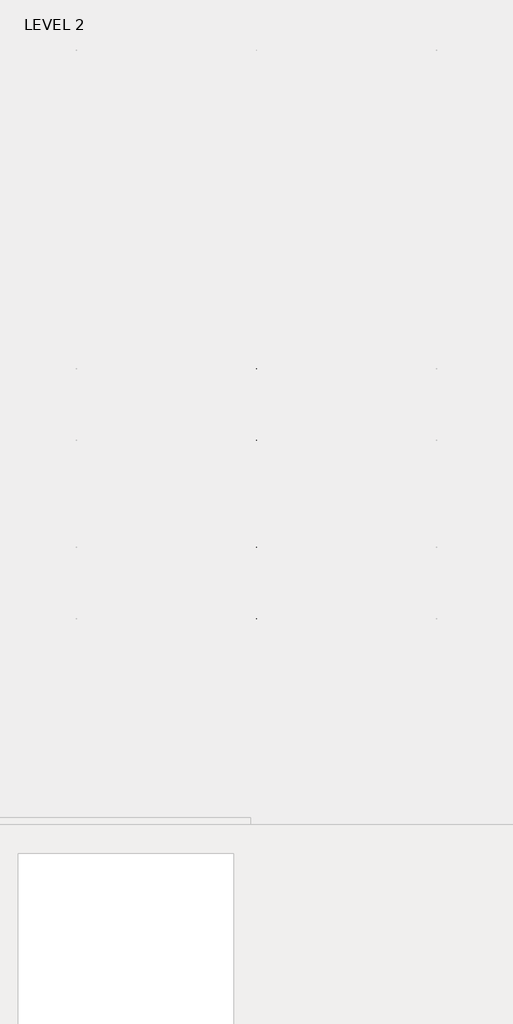
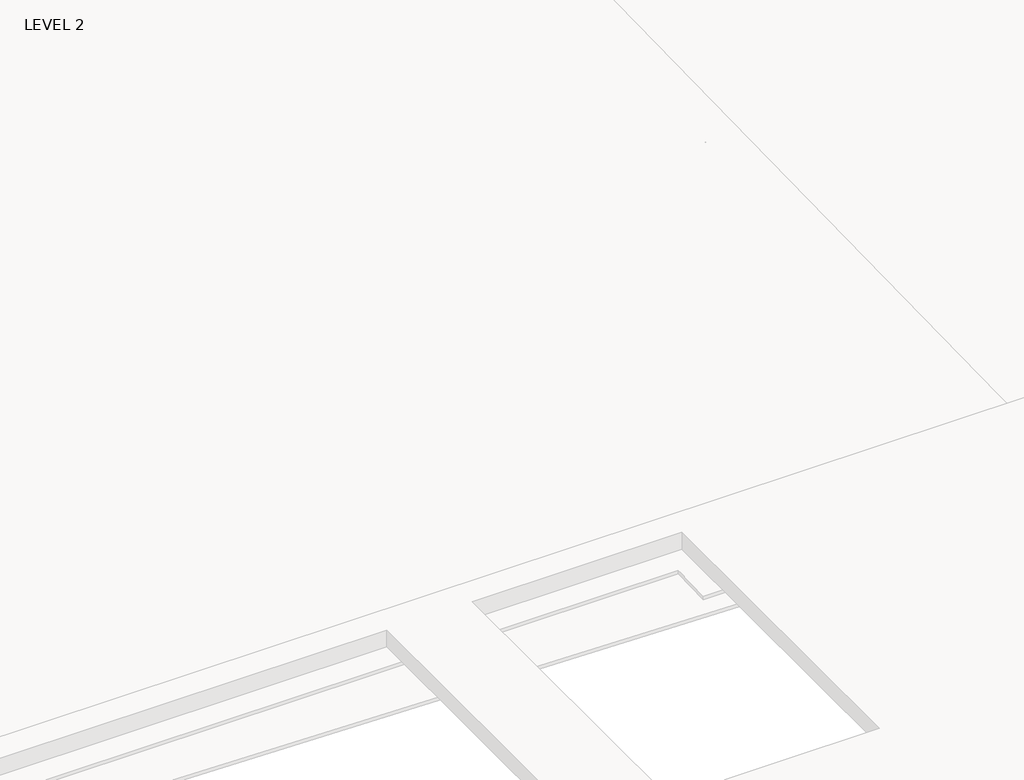
# One storey, part 56 of 67: 1 beam.
"""IFC4 building model written with IfcOpenShell, lengths in millimetres."""

from ifc_helpers import new_model, si_unit, frame, origin, place, context, project, spatial, polyline, outline, extrude, faceted_brep, element, save

model = new_model("IFC4")

# Units and contexts
model_context = context("Model", 3, world=origin())
ifc_project = project(units=[si_unit("LENGTHUNIT", "METRE", prefix="MILLI")], contexts=[model_context])

# Site, building, storey
site = spatial("IfcSite", under=ifc_project)
building = spatial("IfcBuilding", under=site)
storey = spatial("IfcBuildingStorey", under=building, Name="LEVEL 2", Elevation=6908.8)

# Beam
placement = place(None, origin())
element("IfcBeam", 1, ObjectType="K-Series Bar Joist-Angle Web : 12K3", at=placement, inside=storey, context=model_context, shape_type="SolidModel", body=[
    extrude(outline(polyline([(0.0, -9.525), (0.0, 0.0), (573.7533355, 0.0), (573.7533355, -9.525), (0.0, -9.525)])), frame((57248.2658942, -9604.1227945, 6274.1671734), z_axis=(0.0, -0.48308851527800273, 0.8755715198694479), x_axis=(0.0, -0.8755715198694479, -0.48308851527800273)), (0.0, 0.0, 1.0), 9.525),
    extrude(outline(polyline([(0.0, -9.525), (0.0, 0.0), (573.7533355, 0.0), (573.7533355, -9.525), (0.0, -9.525)])), frame((57238.7408942, -14433.5123055, 6174.0312759), z_axis=(0.0, 0.44637950228858414, 0.894843751688861), x_axis=(0.0, 0.894843751688861, -0.44637950228858414)), (0.0, 0.0, 1.0), 9.525),
    extrude(outline(polyline([(4.7625, 4.7625), (4.7625, -4.7625), (-4.7625, -4.7625), (-4.7625, 4.7625), (4.7625, 4.7625)])), frame((57243.5033942, -10108.7855836, 6001.1634358), z_axis=(0.0, 0.5271021201119526, 0.8498019504410923), x_axis=(-1.0, 0.0, 0.0)), (0.0, 0.0, 1.0), 317.9950191),
    extrude(outline(polyline([(4.7625, 4.7625), (4.7625, -4.7625001), (-4.7625, -4.7625001), (-4.7625, 4.7625), (4.7625, 4.7625)])), frame((57243.5033942, -13917.9668359, 5922.1812409), z_axis=(0.0, -0.5618747002661082, 0.8272223529383567), x_axis=(-1.0, 0.0, 0.0)), (0.0, 0.0, 1.0), 317.9950191),
    extrude(outline(polyline([(0.0, 0.0), (31.75, 0.0), (31.75, -6.35), (6.35, -6.35), (6.35, -31.75), (0.0, -31.75), (0.0, 0.0)])), frame((57248.2658942, -14019.4133656, 5913.7264136), z_axis=(0.0, 0.9997851055909517, 0.020730234887470715), x_axis=(1.0, 0.0, 0.0)), (0.0, 0.0, 1.0), 4013.2),
    extrude(outline(polyline([(-9.525, 0.0), (-9.525, -31.75), (-15.875, -31.75), (-15.875, -6.35), (-41.275, -6.35), (-41.275, 0.0), (-9.525, 0.0)])), frame((57248.2658942, -14019.4133656, 5913.7264136), z_axis=(0.0, 0.9997851055909517, 0.020730234887470715), x_axis=(1.0, 0.0, 0.0)), (0.0, 0.0, 1.0), 4013.2),
    extrude(outline(polyline([(-31.75, 0.0), (0.0, 0.0), (0.0, -6.35), (-25.4, -6.35), (-25.4, -31.75), (-31.75, -31.75), (-31.75, 0.0)])), frame((57280.0158942, -14532.3064049, 6144.4436003), z_axis=(0.0, 0.9997851055909517, 0.020730234887470715), x_axis=(1.0, 0.0, 0.0)), (0.0, 0.0, 1.0), 101.6),
    extrude(outline(polyline([(-41.275, 0.0), (-41.275, -31.75), (-47.625, -31.75), (-47.625, -6.35), (-73.025, -6.35), (-73.025, 0.0), (-41.275, 0.0)])), frame((57280.0158942, -14532.3064049, 6144.4436003), z_axis=(0.0, 0.9997851055909517, 0.020730234887470715), x_axis=(1.0, 0.0, 0.0)), (0.0, 0.0, 1.0), 101.6),
    extrude(outline(polyline([(0.0, 0.0), (31.75, 0.0), (31.75, -6.35), (6.35, -6.35), (6.35, -31.75), (0.0, -31.75), (0.0, 0.0)])), frame((57238.7408942, -9605.7653186, 6246.5939057), z_axis=(0.0, 0.9997851055909517, 0.020730234887470715), x_axis=(0.0, -0.020730234887470715, 0.9997851055909517)), (0.0, 0.0, 1.0), 101.6),
    extrude(outline(polyline([(0.0, 41.275), (6.35, 41.275), (6.35, 15.875), (31.75, 15.875), (31.75, 9.525), (0.0, 9.525), (0.0, 41.275)])), frame((57238.7408942, -9605.7653186, 6246.5939057), z_axis=(0.0, 0.9997851055909517, 0.020730234887470715), x_axis=(0.0, -0.020730234887470715, 0.9997851055909517)), (0.0, 0.0, 1.0), 101.6),
    extrude(outline(polyline([(0.0, 0.0), (31.75, 0.0), (31.75, -6.35), (6.35, -6.35), (6.35, -31.75), (0.0, -31.75), (0.0, 0.0)])), frame((57248.2658942, -14533.6227748, 6207.9299545), z_axis=(0.0, 0.9997851055909517, 0.020730234887470715), x_axis=(0.0, 0.020730234887470715, -0.9997851055909517)), (0.0, 0.0, 1.0), 5029.2),
    extrude(outline(polyline([(0.0, 9.525), (0.0, 41.275), (6.35, 41.275), (6.35, 15.875), (31.75, 15.875), (31.75, 9.525), (0.0, 9.525)])), frame((57248.2658942, -14533.6227748, 6207.9299545), z_axis=(0.0, 0.9997851055909517, 0.020730234887470715), x_axis=(0.0, 0.020730234887470715, -0.9997851055909517)), (0.0, 0.0, 1.0), 5029.2),
    faceted_brep([(57243.5033942, -10109.114676, 6017.0350244), (57243.5033942, -10108.7197651, 5997.9891181), (57238.7408942, -10108.7197651, 5997.9891181), (57238.7408942, -10109.114676, 6017.0350244), (57243.5033942, -10109.9510625, 6017.0176822), (57243.5033942, -10276.1904217, 6293.0308149), (57243.5033942, -10294.3999415, 6292.6532461), (57243.5033942, -10294.0050305, 6273.6073399), (57243.5033942, -10286.8200086, 6273.7563191), (57243.5033942, -10120.5806494, 5997.7431863), (57238.7408942, -10120.5806494, 5997.7431863), (57238.7408942, -10141.3605693, 6032.2448279), (57238.7408942, -10137.2808829, 6034.7019736), (57238.7408942, -10273.294904, 6260.5309003), (57238.7408942, -10277.3745905, 6258.0737547), (57238.7408942, -10286.8200086, 6273.7563191), (57238.7408942, -10294.0050305, 6273.6073399), (57238.7408942, -10294.3999415, 6292.6532461), (57238.7408942, -10276.1904217, 6293.0308149), (57238.7408942, -10109.9510625, 6017.0176822), (57226.0408942, -10277.3745905, 6258.0737547), (57226.0408942, -10141.3605693, 6032.2448279), (57226.0408942, -10137.2808829, 6034.7019736), (57226.0408942, -10273.294904, 6260.5309003)], [[[0, 1, 2, 3]], [[1, 0, 4, 5, 6, 7, 8, 9]], [[2, 1, 9, 10]], [[3, 2, 10, 11, 12, 13, 14, 15, 16, 17, 18, 19]], [[0, 3, 19, 4]], [[9, 8, 15, 14, 20, 21, 11, 10]], [[5, 4, 19, 18]], [[7, 6, 17, 16]], [[8, 7, 16, 15]], [[6, 5, 18, 17]], [[21, 22, 12, 11]], [[20, 14, 13, 23]], [[22, 21, 20, 23]], [[12, 22, 23, 13]]]),
    extrude(outline(polyline([(-10455.0089698, 5990.8089186), (-10455.4038808, 6009.8548248), (-10454.5674943, 6009.872167), (-10299.9121904, 6292.5389513), (-10281.7026706, 6292.9165201), (-10281.3077596, 6273.8706138), (-10288.4927815, 6273.7216346), (-10443.1480854, 5991.0548503), (-10455.0089698, 5990.8089186)])), frame((57243.5033942, 0.0, 0.0), z_axis=(1.0, 0.0, 0.0), x_axis=(0.0, 1.0, 0.0)), (0.0, 0.0, 1.0), 4.7625),
    extrude(outline(polyline([(-4.7625, 4.7625), (-4.7625, 0.0), (-17.4625, 0.0), (-17.4625, 4.7625), (-4.7625, 4.7625)])), frame((57243.5033942, -10423.8161725, 6026.3881984), z_axis=(0.0, 0.4799841217599757, 0.8772771756168657), x_axis=(-1.0, 0.0, 0.0)), (0.0, 0.0, 1.0), 263.6257159),
    faceted_brep([(57243.5033942, -13572.0067236, 5945.233029), (57243.5033942, -13571.6118126, 5926.1871227), (57238.7408942, -13571.6118126, 5926.1871227), (57238.7408942, -13572.0067236, 5945.233029), (57243.5033942, -13572.8431101, 5945.2156868), (57243.5033942, -13739.0824692, 6221.2288195), (57243.5033942, -13757.291989, 6220.8512507), (57243.5033942, -13756.897078, 6201.8053445), (57243.5033942, -13749.7120561, 6201.9543237), (57243.5033942, -13583.472697, 5925.941191), (57238.7408942, -13583.472697, 5925.941191), (57238.7408942, -13604.2526169, 5960.4428325), (57238.7408942, -13600.1729304, 5962.8999782), (57238.7408942, -13736.1869515, 6188.7289049), (57238.7408942, -13740.266638, 6186.2717593), (57238.7408942, -13749.7120561, 6201.9543237), (57238.7408942, -13756.897078, 6201.8053445), (57238.7408942, -13757.291989, 6220.8512507), (57238.7408942, -13739.0824692, 6221.2288195), (57238.7408942, -13572.8431101, 5945.2156868), (57226.0408942, -13740.266638, 6186.2717593), (57226.0408942, -13604.2526169, 5960.4428325), (57226.0408942, -13600.1729304, 5962.8999782), (57226.0408942, -13736.1869515, 6188.7289049)], [[[0, 1, 2, 3]], [[1, 0, 4, 5, 6, 7, 8, 9]], [[2, 1, 9, 10]], [[3, 2, 10, 11, 12, 13, 14, 15, 16, 17, 18, 19]], [[0, 3, 19, 4]], [[9, 8, 15, 14, 20, 21, 11, 10]], [[5, 4, 19, 18]], [[7, 6, 17, 16]], [[8, 7, 16, 15]], [[6, 5, 18, 17]], [[21, 22, 12, 11]], [[20, 14, 13, 23]], [[22, 21, 20, 23]], [[12, 22, 23, 13]]]),
    extrude(outline(polyline([(-13917.9010174, 5919.0069232), (-13918.2959283, 5938.0528295), (-13917.4595419, 5938.0701717), (-13762.804238, 6220.736956), (-13744.5947182, 6221.1145247), (-13744.1998072, 6202.0686185), (-13751.3848291, 6201.9196392), (-13906.040133, 5919.252855), (-13917.9010174, 5919.0069232)])), frame((57243.5033942, 0.0, 0.0), z_axis=(1.0, 0.0, 0.0), x_axis=(0.0, 1.0, 0.0)), (0.0, 0.0, 1.0), 4.7625),
    extrude(outline(polyline([(-4.7625, 4.7625001), (-4.7625, 0.0), (-17.4625, 0.0), (-17.4625, 4.7625001), (-4.7625, 4.7625001)])), frame((57243.5033942, -13886.70822, 5954.586203), z_axis=(0.0, 0.4799841217599757, 0.8772771756168657), x_axis=(-1.0, 0.0, 0.0)), (0.0, 0.0, 1.0), 263.6257159),
    faceted_brep([(57243.5033942, -10455.4038808, 6009.8548248), (57243.5033942, -10455.0089698, 5990.8089186), (57238.7408942, -10455.0089698, 5990.8089186), (57238.7408942, -10455.4038808, 6009.8548248), (57243.5033942, -10456.2402673, 6009.8374826), (57243.5033942, -10622.4796264, 6285.8506153), (57243.5033942, -10640.6891462, 6285.4730466), (57243.5033942, -10640.2942352, 6266.4271403), (57243.5033942, -10633.1092134, 6266.5761195), (57243.5033942, -10466.8698542, 5990.5629868), (57238.7408942, -10466.8698542, 5990.5629868), (57238.7408942, -10487.6497741, 6025.0646284), (57238.7408942, -10483.5700876, 6027.521774), (57238.7408942, -10619.5841088, 6253.3507008), (57238.7408942, -10623.6637952, 6250.8935552), (57238.7408942, -10633.1092134, 6266.5761195), (57238.7408942, -10640.2942352, 6266.4271403), (57238.7408942, -10640.6891462, 6285.4730466), (57238.7408942, -10622.4796264, 6285.8506153), (57238.7408942, -10456.2402673, 6009.8374826), (57226.0408942, -10623.6637952, 6250.8935552), (57226.0408942, -10487.6497741, 6025.0646284), (57226.0408942, -10483.5700876, 6027.521774), (57226.0408942, -10619.5841088, 6253.3507008)], [[[0, 1, 2, 3]], [[1, 0, 4, 5, 6, 7, 8, 9]], [[2, 1, 9, 10]], [[3, 2, 10, 11, 12, 13, 14, 15, 16, 17, 18, 19]], [[0, 3, 19, 4]], [[9, 8, 15, 14, 20, 21, 11, 10]], [[5, 4, 19, 18]], [[7, 6, 17, 16]], [[8, 7, 16, 15]], [[6, 5, 18, 17]], [[21, 22, 12, 11]], [[20, 14, 13, 23]], [[22, 21, 20, 23]], [[12, 22, 23, 13]]]),
    extrude(outline(polyline([(-10801.2981746, 5983.628719), (-10801.6930855, 6002.6746253), (-10800.8566991, 6002.6919675), (-10646.2013952, 6285.3587518), (-10627.9918754, 6285.7363206), (-10627.5969644, 6266.6904143), (-10634.7819863, 6266.5414351), (-10789.4372902, 5983.8746508), (-10801.2981746, 5983.628719)])), frame((57243.5033942, 0.0, 0.0), z_axis=(1.0, 0.0, 0.0), x_axis=(0.0, 1.0, 0.0)), (0.0, 0.0, 1.0), 4.7625),
    extrude(outline(polyline([(-4.7625, 4.7625001), (-4.7625, 0.0), (-17.4625, 0.0), (-17.4625, 4.7625001), (-4.7625, 4.7625001)])), frame((57243.5033942, -10770.1053772, 6019.2079988), z_axis=(0.0, 0.4799841217599757, 0.8772771756168657), x_axis=(-1.0, 0.0, 0.0)), (0.0, 0.0, 1.0), 263.6257159),
    faceted_brep([(57243.5033942, -10801.6930855, 6002.6746253), (57243.5033942, -10801.2981746, 5983.628719), (57238.7408942, -10801.2981746, 5983.628719), (57238.7408942, -10801.6930855, 6002.6746253), (57243.5033942, -10802.529472, 6002.6572831), (57243.5033942, -10968.7688312, 6278.6704158), (57243.5033942, -10986.978351, 6278.292847), (57243.5033942, -10986.58344, 6259.2469408), (57243.5033942, -10979.3984181, 6259.39592), (57243.5033942, -10813.1590589, 5983.3827873), (57238.7408942, -10813.1590589, 5983.3827873), (57238.7408942, -10833.9389788, 6017.8844289), (57238.7408942, -10829.8592924, 6020.3415745), (57238.7408942, -10965.8733135, 6246.1705013), (57238.7408942, -10969.953, 6243.7133556), (57238.7408942, -10979.3984181, 6259.39592), (57238.7408942, -10986.58344, 6259.2469408), (57238.7408942, -10986.978351, 6278.292847), (57238.7408942, -10968.7688312, 6278.6704158), (57238.7408942, -10802.529472, 6002.6572831), (57226.0408942, -10969.953, 6243.7133556), (57226.0408942, -10833.9389788, 6017.8844289), (57226.0408942, -10829.8592924, 6020.3415745), (57226.0408942, -10965.8733135, 6246.1705013)], [[[0, 1, 2, 3]], [[1, 0, 4, 5, 6, 7, 8, 9]], [[2, 1, 9, 10]], [[3, 2, 10, 11, 12, 13, 14, 15, 16, 17, 18, 19]], [[0, 3, 19, 4]], [[9, 8, 15, 14, 20, 21, 11, 10]], [[5, 4, 19, 18]], [[7, 6, 17, 16]], [[8, 7, 16, 15]], [[6, 5, 18, 17]], [[21, 22, 12, 11]], [[20, 14, 13, 23]], [[22, 21, 20, 23]], [[12, 22, 23, 13]]]),
    extrude(outline(polyline([(-11147.5873793, 5976.4485195), (-11147.9822903, 5995.4944258), (-11147.1459038, 5995.511768), (-10992.4905999, 6278.1785523), (-10974.2810801, 6278.556121), (-10973.8861692, 6259.5102148), (-10981.071191, 6259.3612356), (-11135.726495, 5976.6944513), (-11147.5873793, 5976.4485195)])), frame((57243.5033942, 0.0, 0.0), z_axis=(1.0, 0.0, 0.0), x_axis=(0.0, 1.0, 0.0)), (0.0, 0.0, 1.0), 4.7625),
    extrude(outline(polyline([(-4.7625, 4.7625), (-4.7625, 0.0), (-17.4625, 0.0), (-17.4625, 4.7625), (-4.7625, 4.7625)])), frame((57243.5033942, -11116.394582, 6012.0277993), z_axis=(0.0, 0.4799841217599757, 0.8772771756168657), x_axis=(-1.0, 0.0, 0.0)), (0.0, 0.0, 1.0), 263.6257159),
    faceted_brep([(57243.5033942, -11147.9822903, 5995.4944258), (57243.5033942, -11147.5873793, 5976.4485195), (57238.7408942, -11147.5873793, 5976.4485195), (57238.7408942, -11147.9822903, 5995.4944258), (57243.5033942, -11148.8186768, 5995.4770835), (57243.5033942, -11315.0580359, 6271.4902163), (57243.5033942, -11333.2675557, 6271.1126475), (57243.5033942, -11332.8726448, 6252.0667412), (57243.5033942, -11325.6876229, 6252.2157204), (57243.5033942, -11159.4482637, 5976.2025877), (57238.7408942, -11159.4482637, 5976.2025877), (57238.7408942, -11180.2281836, 6010.7042293), (57238.7408942, -11176.1484971, 6013.1613749), (57238.7408942, -11312.1625183, 6238.9903017), (57238.7408942, -11316.2422047, 6236.5331561), (57238.7408942, -11325.6876229, 6252.2157204), (57238.7408942, -11332.8726448, 6252.0667412), (57238.7408942, -11333.2675557, 6271.1126475), (57238.7408942, -11315.0580359, 6271.4902163), (57238.7408942, -11148.8186768, 5995.4770835), (57226.0408942, -11316.2422047, 6236.5331561), (57226.0408942, -11180.2281836, 6010.7042293), (57226.0408942, -11176.1484971, 6013.1613749), (57226.0408942, -11312.1625183, 6238.9903017)], [[[0, 1, 2, 3]], [[1, 0, 4, 5, 6, 7, 8, 9]], [[2, 1, 9, 10]], [[3, 2, 10, 11, 12, 13, 14, 15, 16, 17, 18, 19]], [[0, 3, 19, 4]], [[9, 8, 15, 14, 20, 21, 11, 10]], [[5, 4, 19, 18]], [[7, 6, 17, 16]], [[8, 7, 16, 15]], [[6, 5, 18, 17]], [[21, 22, 12, 11]], [[20, 14, 13, 23]], [[22, 21, 20, 23]], [[12, 22, 23, 13]]]),
    extrude(outline(polyline([(-11493.8765841, 5969.26832), (-11494.2714951, 5988.3142262), (-11493.4351086, 5988.3315684), (-11338.7798047, 6270.9983527), (-11320.5702849, 6271.3759215), (-11320.1753739, 6252.3300152), (-11327.3603958, 6252.181036), (-11482.0156997, 5969.5142517), (-11493.8765841, 5969.26832)])), frame((57243.5033942, 0.0, 0.0), z_axis=(1.0, 0.0, 0.0), x_axis=(0.0, 1.0, 0.0)), (0.0, 0.0, 1.0), 4.7625),
    extrude(outline(polyline([(-4.7625, 4.7625), (-4.7625, 0.0), (-17.4625, 0.0), (-17.4625, 4.7625), (-4.7625, 4.7625)])), frame((57243.5033942, -11462.6837867, 6004.8475998), z_axis=(0.0, 0.4799841217599757, 0.8772771756168657), x_axis=(-1.0, 0.0, 0.0)), (0.0, 0.0, 1.0), 263.6257159),
    faceted_brep([(57243.5033942, -11494.2714951, 5988.3142262), (57243.5033942, -11493.8765841, 5969.26832), (57238.7408942, -11493.8765841, 5969.26832), (57238.7408942, -11494.2714951, 5988.3142262), (57243.5033942, -11495.1078815, 5988.296884), (57243.5033942, -11661.3472407, 6264.3100167), (57243.5033942, -11679.5567605, 6263.932448), (57243.5033942, -11679.1618495, 6244.8865417), (57243.5033942, -11671.9768276, 6245.0355209), (57243.5033942, -11505.7374685, 5969.0223882), (57238.7408942, -11505.7374685, 5969.0223882), (57238.7408942, -11526.5173883, 6003.5240298), (57238.7408942, -11522.4377019, 6005.9811754), (57238.7408942, -11658.451723, 6231.8101022), (57238.7408942, -11662.5314095, 6229.3529565), (57238.7408942, -11671.9768276, 6245.0355209), (57238.7408942, -11679.1618495, 6244.8865417), (57238.7408942, -11679.5567605, 6263.932448), (57238.7408942, -11661.3472407, 6264.3100167), (57238.7408942, -11495.1078815, 5988.296884), (57226.0408942, -11662.5314095, 6229.3529565), (57226.0408942, -11526.5173883, 6003.5240298), (57226.0408942, -11522.4377019, 6005.9811754), (57226.0408942, -11658.451723, 6231.8101022)], [[[0, 1, 2, 3]], [[1, 0, 4, 5, 6, 7, 8, 9]], [[2, 1, 9, 10]], [[3, 2, 10, 11, 12, 13, 14, 15, 16, 17, 18, 19]], [[0, 3, 19, 4]], [[9, 8, 15, 14, 20, 21, 11, 10]], [[5, 4, 19, 18]], [[7, 6, 17, 16]], [[8, 7, 16, 15]], [[6, 5, 18, 17]], [[21, 22, 12, 11]], [[20, 14, 13, 23]], [[22, 21, 20, 23]], [[12, 22, 23, 13]]]),
    extrude(outline(polyline([(-11840.1657888, 5962.0881204), (-11840.5606998, 5981.1340267), (-11839.7243133, 5981.1513689), (-11685.0690094, 6263.8181532), (-11666.8594896, 6264.1957219), (-11666.4645787, 6245.1498157), (-11673.6496006, 6245.0008365), (-11828.3049045, 5962.3340522), (-11840.1657888, 5962.0881204)])), frame((57243.5033942, 0.0, 0.0), z_axis=(1.0, 0.0, 0.0), x_axis=(0.0, 1.0, 0.0)), (0.0, 0.0, 1.0), 4.7625),
    extrude(outline(polyline([(-4.7625, 4.7625), (-4.7625, 0.0), (-17.4625, 0.0), (-17.4625, 4.7625), (-4.7625, 4.7625)])), frame((57243.5033942, -11808.9729915, 5997.6674002), z_axis=(0.0, 0.4799841217599757, 0.8772771756168657), x_axis=(-1.0, 0.0, 0.0)), (0.0, 0.0, 1.0), 263.6257159),
    faceted_brep([(57243.5033942, -11840.5606998, 5981.1340267), (57243.5033942, -11840.1657888, 5962.0881204), (57238.7408942, -11840.1657888, 5962.0881204), (57238.7408942, -11840.5606998, 5981.1340267), (57243.5033942, -11841.3970863, 5981.1166845), (57243.5033942, -12007.6364454, 6257.1298172), (57243.5033942, -12025.8459652, 6256.7522484), (57243.5033942, -12025.4510543, 6237.7063422), (57243.5033942, -12018.2660324, 6237.8553214), (57243.5033942, -11852.0266732, 5961.8421887), (57238.7408942, -11852.0266732, 5961.8421887), (57238.7408942, -11872.8065931, 5996.3438302), (57238.7408942, -11868.7269066, 5998.8009759), (57238.7408942, -12004.7409278, 6224.6299026), (57238.7408942, -12008.8206142, 6222.172757), (57238.7408942, -12018.2660324, 6237.8553214), (57238.7408942, -12025.4510543, 6237.7063422), (57238.7408942, -12025.8459652, 6256.7522484), (57238.7408942, -12007.6364454, 6257.1298172), (57238.7408942, -11841.3970863, 5981.1166845), (57226.0408942, -12008.8206142, 6222.172757), (57226.0408942, -11872.8065931, 5996.3438302), (57226.0408942, -11868.7269066, 5998.8009759), (57226.0408942, -12004.7409278, 6224.6299026)], [[[0, 1, 2, 3]], [[1, 0, 4, 5, 6, 7, 8, 9]], [[2, 1, 9, 10]], [[3, 2, 10, 11, 12, 13, 14, 15, 16, 17, 18, 19]], [[0, 3, 19, 4]], [[9, 8, 15, 14, 20, 21, 11, 10]], [[5, 4, 19, 18]], [[7, 6, 17, 16]], [[8, 7, 16, 15]], [[6, 5, 18, 17]], [[21, 22, 12, 11]], [[20, 14, 13, 23]], [[22, 21, 20, 23]], [[12, 22, 23, 13]]]),
    extrude(outline(polyline([(-12186.4549936, 5954.9079209), (-12186.8499046, 5973.9538271), (-12186.0135181, 5973.9711694), (-12031.3582142, 6256.6379536), (-12013.1486944, 6257.0155224), (-12012.7537834, 6237.9696161), (-12019.9388053, 6237.8206369), (-12174.5941092, 5955.1538527), (-12186.4549936, 5954.9079209)])), frame((57243.5033942, 0.0, 0.0), z_axis=(1.0, 0.0, 0.0), x_axis=(0.0, 1.0, 0.0)), (0.0, 0.0, 1.0), 4.7625),
    extrude(outline(polyline([(-4.7625, 4.7625001), (-4.7625, 0.0), (-17.4625, 0.0), (-17.4625, 4.7625001), (-4.7625, 4.7625001)])), frame((57243.5033942, -12155.2621962, 5990.4872007), z_axis=(0.0, 0.4799841217599757, 0.8772771756168657), x_axis=(-1.0, 0.0, 0.0)), (0.0, 0.0, 1.0), 263.6257159),
    faceted_brep([(57243.5033942, -12186.8499046, 5973.9538271), (57243.5033942, -12186.4549936, 5954.9079209), (57238.7408942, -12186.4549936, 5954.9079209), (57238.7408942, -12186.8499046, 5973.9538271), (57243.5033942, -12187.686291, 5973.9364849), (57243.5033942, -12353.9256502, 6249.9496176), (57243.5033942, -12372.13517, 6249.5720489), (57243.5033942, -12371.740259, 6230.5261426), (57243.5033942, -12364.5552371, 6230.6751218), (57243.5033942, -12198.315878, 5954.6619891), (57238.7408942, -12198.315878, 5954.6619891), (57238.7408942, -12219.0957979, 5989.1636307), (57238.7408942, -12215.0161114, 5991.6207763), (57238.7408942, -12351.0301325, 6217.4497031), (57238.7408942, -12355.109819, 6214.9925575), (57238.7408942, -12364.5552371, 6230.6751218), (57238.7408942, -12371.740259, 6230.5261426), (57238.7408942, -12372.13517, 6249.5720489), (57238.7408942, -12353.9256502, 6249.9496176), (57238.7408942, -12187.686291, 5973.9364849), (57226.0408942, -12355.109819, 6214.9925575), (57226.0408942, -12219.0957979, 5989.1636307), (57226.0408942, -12215.0161114, 5991.6207763), (57226.0408942, -12351.0301325, 6217.4497031)], [[[0, 1, 2, 3]], [[1, 0, 4, 5, 6, 7, 8, 9]], [[2, 1, 9, 10]], [[3, 2, 10, 11, 12, 13, 14, 15, 16, 17, 18, 19]], [[0, 3, 19, 4]], [[9, 8, 15, 14, 20, 21, 11, 10]], [[5, 4, 19, 18]], [[7, 6, 17, 16]], [[8, 7, 16, 15]], [[6, 5, 18, 17]], [[21, 22, 12, 11]], [[20, 14, 13, 23]], [[22, 21, 20, 23]], [[12, 22, 23, 13]]]),
    extrude(outline(polyline([(-12532.7441983, 5947.7277213), (-12533.1391093, 5966.7736276), (-12532.3027228, 5966.7909698), (-12377.6474189, 6249.4577541), (-12359.4378991, 6249.8353229), (-12359.0429882, 6230.7894166), (-12366.2280101, 6230.6404374), (-12520.883314, 5947.9736531), (-12532.7441983, 5947.7277213)])), frame((57243.5033942, 0.0, 0.0), z_axis=(1.0, 0.0, 0.0), x_axis=(0.0, 1.0, 0.0)), (0.0, 0.0, 1.0), 4.7625),
    extrude(outline(polyline([(-4.7625, 4.7625), (-4.7625, 0.0), (-17.4625, 0.0), (-17.4625, 4.7625), (-4.7625, 4.7625)])), frame((57243.5033942, -12501.551401, 5983.3070011), z_axis=(0.0, 0.4799841217599757, 0.8772771756168657), x_axis=(-1.0, 0.0, 0.0)), (0.0, 0.0, 1.0), 263.6257159),
    faceted_brep([(57243.5033942, -12533.1391093, 5966.7736276), (57243.5033942, -12532.7441983, 5947.7277213), (57238.7408942, -12532.7441983, 5947.7277213), (57238.7408942, -12533.1391093, 5966.7736276), (57243.5033942, -12533.9754958, 5966.7562854), (57243.5033942, -12700.214855, 6242.7694181), (57243.5033942, -12718.4243747, 6242.3918493), (57243.5033942, -12718.0294638, 6223.3459431), (57243.5033942, -12710.8444419, 6223.4949223), (57243.5033942, -12544.6050827, 5947.4817896), (57238.7408942, -12544.6050827, 5947.4817896), (57238.7408942, -12565.3850026, 5981.9834312), (57238.7408942, -12561.3053162, 5984.4405768), (57238.7408942, -12697.3193373, 6210.2695036), (57238.7408942, -12701.3990237, 6207.8123579), (57238.7408942, -12710.8444419, 6223.4949223), (57238.7408942, -12718.0294638, 6223.3459431), (57238.7408942, -12718.4243747, 6242.3918493), (57238.7408942, -12700.214855, 6242.7694181), (57238.7408942, -12533.9754958, 5966.7562854), (57226.0408942, -12701.3990237, 6207.8123579), (57226.0408942, -12565.3850026, 5981.9834312), (57226.0408942, -12561.3053162, 5984.4405768), (57226.0408942, -12697.3193373, 6210.2695036)], [[[0, 1, 2, 3]], [[1, 0, 4, 5, 6, 7, 8, 9]], [[2, 1, 9, 10]], [[3, 2, 10, 11, 12, 13, 14, 15, 16, 17, 18, 19]], [[0, 3, 19, 4]], [[9, 8, 15, 14, 20, 21, 11, 10]], [[5, 4, 19, 18]], [[7, 6, 17, 16]], [[8, 7, 16, 15]], [[6, 5, 18, 17]], [[21, 22, 12, 11]], [[20, 14, 13, 23]], [[22, 21, 20, 23]], [[12, 22, 23, 13]]]),
    extrude(outline(polyline([(-12879.0334031, 5940.5475218), (-12879.4283141, 5959.5934281), (-12878.5919276, 5959.6107703), (-12723.9366237, 6242.2775546), (-12705.7271039, 6242.6551233), (-12705.3321929, 6223.6092171), (-12712.5172148, 6223.4602379), (-12867.1725187, 5940.7934536), (-12879.0334031, 5940.5475218)])), frame((57243.5033942, 0.0, 0.0), z_axis=(1.0, 0.0, 0.0), x_axis=(0.0, 1.0, 0.0)), (0.0, 0.0, 1.0), 4.7625),
    extrude(outline(polyline([(-4.7625, 4.7625001), (-4.7625, 0.0), (-17.4625, 0.0), (-17.4625, 4.7625001), (-4.7625, 4.7625001)])), frame((57243.5033942, -12847.8406057, 5976.1268016), z_axis=(0.0, 0.4799841217599757, 0.8772771756168657), x_axis=(-1.0, 0.0, 0.0)), (0.0, 0.0, 1.0), 263.6257159),
    faceted_brep([(57243.5033942, -12879.4283141, 5959.5934281), (57243.5033942, -12879.0334031, 5940.5475218), (57238.7408942, -12879.0334031, 5940.5475218), (57238.7408942, -12879.4283141, 5959.5934281), (57243.5033942, -12880.2647005, 5959.5760859), (57243.5033942, -13046.5040597, 6235.5892186), (57243.5033942, -13064.7135795, 6235.2116498), (57243.5033942, -13064.3186685, 6216.1657435), (57243.5033942, -13057.1336466, 6216.3147228), (57243.5033942, -12890.8942875, 5940.30159), (57238.7408942, -12890.8942875, 5940.30159), (57238.7408942, -12911.6742074, 5974.8032316), (57238.7408942, -12907.5945209, 5977.2603773), (57238.7408942, -13043.608542, 6203.089304), (57238.7408942, -13047.6882285, 6200.6321584), (57238.7408942, -13057.1336466, 6216.3147228), (57238.7408942, -13064.3186685, 6216.1657435), (57238.7408942, -13064.7135795, 6235.2116498), (57238.7408942, -13046.5040597, 6235.5892186), (57238.7408942, -12880.2647005, 5959.5760859), (57226.0408942, -13047.6882285, 6200.6321584), (57226.0408942, -12911.6742074, 5974.8032316), (57226.0408942, -12907.5945209, 5977.2603773), (57226.0408942, -13043.608542, 6203.089304)], [[[0, 1, 2, 3]], [[1, 0, 4, 5, 6, 7, 8, 9]], [[2, 1, 9, 10]], [[3, 2, 10, 11, 12, 13, 14, 15, 16, 17, 18, 19]], [[0, 3, 19, 4]], [[9, 8, 15, 14, 20, 21, 11, 10]], [[5, 4, 19, 18]], [[7, 6, 17, 16]], [[8, 7, 16, 15]], [[6, 5, 18, 17]], [[21, 22, 12, 11]], [[20, 14, 13, 23]], [[22, 21, 20, 23]], [[12, 22, 23, 13]]]),
    extrude(outline(polyline([(-13225.3226079, 5933.3673223), (-13225.7175188, 5952.4132285), (-13224.8811324, 5952.4305707), (-13070.2258284, 6235.097355), (-13052.0163087, 6235.4749238), (-13051.6213977, 6216.4290175), (-13058.8064196, 6216.2800383), (-13213.4617235, 5933.613254), (-13225.3226079, 5933.3673223)])), frame((57243.5033942, 0.0, 0.0), z_axis=(1.0, 0.0, 0.0), x_axis=(0.0, 1.0, 0.0)), (0.0, 0.0, 1.0), 4.7625),
    extrude(outline(polyline([(-4.7625, 4.7625), (-4.7625, 0.0), (-17.4625, 0.0), (-17.4625, 4.7625), (-4.7625, 4.7625)])), frame((57243.5033942, -13194.1298105, 5968.9466021), z_axis=(0.0, 0.4799841217599757, 0.8772771756168657), x_axis=(-1.0, 0.0, 0.0)), (0.0, 0.0, 1.0), 263.6257159),
    faceted_brep([(57243.5033942, -13225.7175188, 5952.4132285), (57243.5033942, -13225.3226079, 5933.3673223), (57238.7408942, -13225.3226079, 5933.3673223), (57238.7408942, -13225.7175188, 5952.4132285), (57243.5033942, -13226.5539053, 5952.3958863), (57243.5033942, -13392.7932645, 6228.409019), (57243.5033942, -13411.0027843, 6228.0314503), (57243.5033942, -13410.6078733, 6208.985544), (57243.5033942, -13403.4228514, 6209.1345232), (57243.5033942, -13237.1834922, 5933.1213905), (57238.7408942, -13237.1834922, 5933.1213905), (57238.7408942, -13257.9634121, 5967.6230321), (57238.7408942, -13253.8837257, 5970.0801777), (57238.7408942, -13389.8977468, 6195.9091045), (57238.7408942, -13393.9774333, 6193.4519589), (57238.7408942, -13403.4228514, 6209.1345232), (57238.7408942, -13410.6078733, 6208.985544), (57238.7408942, -13411.0027843, 6228.0314503), (57238.7408942, -13392.7932645, 6228.409019), (57238.7408942, -13226.5539053, 5952.3958863), (57226.0408942, -13393.9774333, 6193.4519589), (57226.0408942, -13257.9634121, 5967.6230321), (57226.0408942, -13253.8837257, 5970.0801777), (57226.0408942, -13389.8977468, 6195.9091045)], [[[0, 1, 2, 3]], [[1, 0, 4, 5, 6, 7, 8, 9]], [[2, 1, 9, 10]], [[3, 2, 10, 11, 12, 13, 14, 15, 16, 17, 18, 19]], [[0, 3, 19, 4]], [[9, 8, 15, 14, 20, 21, 11, 10]], [[5, 4, 19, 18]], [[7, 6, 17, 16]], [[8, 7, 16, 15]], [[6, 5, 18, 17]], [[21, 22, 12, 11]], [[20, 14, 13, 23]], [[22, 21, 20, 23]], [[12, 22, 23, 13]]]),
    extrude(outline(polyline([(-13571.6118126, 5926.1871227), (-13572.0067236, 5945.233029), (-13571.1703371, 5945.2503712), (-13416.5150332, 6227.9171555), (-13398.3055134, 6228.2947243), (-13397.9106024, 6209.248818), (-13405.0956243, 6209.0998388), (-13559.7509282, 5926.4330545), (-13571.6118126, 5926.1871227)])), frame((57243.5033942, 0.0, 0.0), z_axis=(1.0, 0.0, 0.0), x_axis=(0.0, 1.0, 0.0)), (0.0, 0.0, 1.0), 4.7625),
    extrude(outline(polyline([(-4.7625, 4.7625001), (-4.7625, 0.0), (-17.4625, 0.0), (-17.4625, 4.7625001), (-4.7625, 4.7625001)])), frame((57243.5033942, -13540.4190152, 5961.7664025), z_axis=(0.0, 0.4799841217599757, 0.8772771756168657), x_axis=(-1.0, 0.0, 0.0)), (0.0, 0.0, 1.0), 263.6257159),
])

save(model, "model.ifc")
